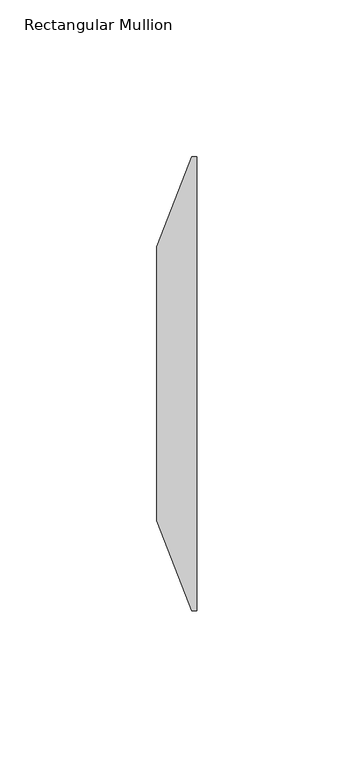
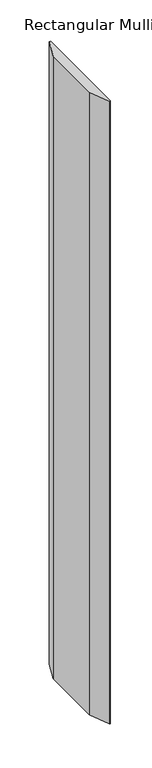
"""IFC4 building model written with IfcOpenShell, lengths in millimetres: member geometry, Rectangular Mullion."""

from ifc_helpers import new_model, si_unit, frame, origin, place, context, project, spatial, polyline, outline, extrude, source, transform, mapped, element, save


def rectangular_mullion_b92562e1(model_context):
    return source(origin(), model_context, "Body", "SweptSolid", [
        extrude(outline(polyline([(0.0, -58.7375), (-1.5875, -58.7375), (-12.7, -30.1625), (-12.7, 57.15), (-1.5875, 85.725), (0.0, 85.725), (0.0, -58.7375)])), frame((0.0, 0.0, -917.575), z_axis=(0.0, 0.0, 1.0), x_axis=(1.0, 0.0, 0.0)), (0.0, 0.0, 1.0), 917.575),
    ])


if __name__ == "__main__":
    model = new_model("IFC4")
    model_context = context("Model", 3, world=origin())
    ifc_project = project(units=[si_unit("LENGTHUNIT", "METRE", prefix="MILLI")], contexts=[model_context])
    site = spatial("IfcSite", under=ifc_project)
    building = spatial("IfcBuilding", under=site)
    placement = place(None, origin())
    rectangular_mullion_shape = rectangular_mullion_b92562e1(model_context)
    element("IfcMember", 1, ObjectType="Rectangular Mullion", at=placement, inside=building, context=model_context, shape_type="MappedRepresentation", body=[
        mapped(rectangular_mullion_shape, transform((0.0, 0.0, 0.0), x_axis=(1.0, 0.0, 0.0), y_axis=(0.0, 1.0, 0.0), z_axis=(0.0, 0.0, 1.0))),
    ])
    save(model, "model.ifc")
